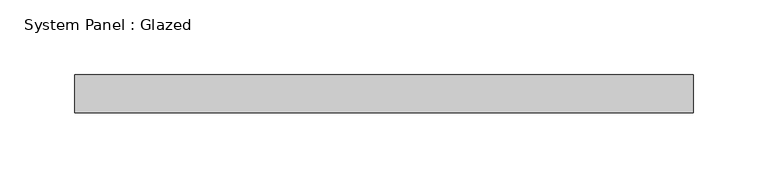
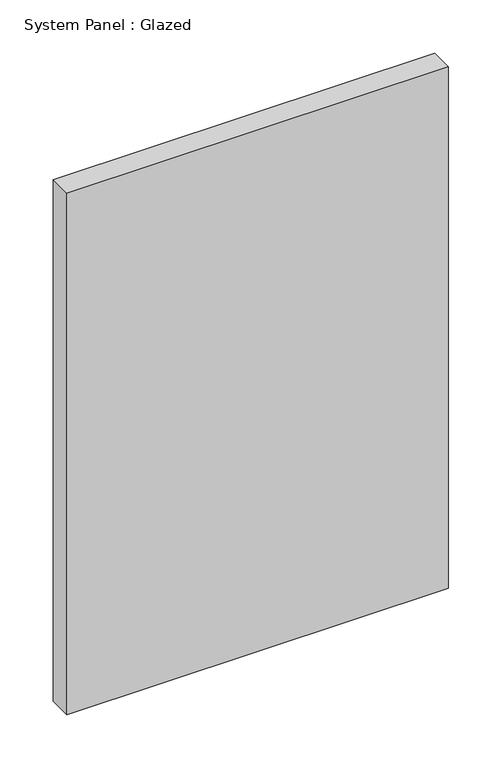
"""IFC4 building model written with IfcOpenShell, lengths in millimetres: plate geometry, System Panel : Glazed."""

from ifc_helpers import new_model, si_unit, origin, origin_with_axes, place, context, project, spatial, polyline, outline, extrude, source, transform, mapped, element, save


def system_panel_glazed_a3b4e92c(model_context):
    return source(origin(), model_context, "Body", "SweptSolid", [
        extrude(outline(polyline([(206.375, 19.05), (-206.375, 19.05), (-206.375, 44.45), (206.375, 44.45), (206.375, 19.05)])), origin_with_axes(), (0.0, 0.0, 1.0), 596.9),
    ])


if __name__ == "__main__":
    model = new_model("IFC4")
    model_context = context("Model", 3, world=origin())
    ifc_project = project(units=[si_unit("LENGTHUNIT", "METRE", prefix="MILLI")], contexts=[model_context])
    site = spatial("IfcSite", under=ifc_project)
    building = spatial("IfcBuilding", under=site)
    placement = place(None, origin())
    system_panel_glazed_shape = system_panel_glazed_a3b4e92c(model_context)
    element("IfcPlate", 1, ObjectType="System Panel : Glazed", at=placement, inside=building, context=model_context, shape_type="MappedRepresentation", body=[
        mapped(system_panel_glazed_shape, transform((0.0, 0.0, 0.0), x_axis=(1.0, 0.0, 0.0), y_axis=(0.0, 1.0, 0.0), z_axis=(0.0, 0.0, 1.0))),
    ])
    save(model, "model.ifc")
